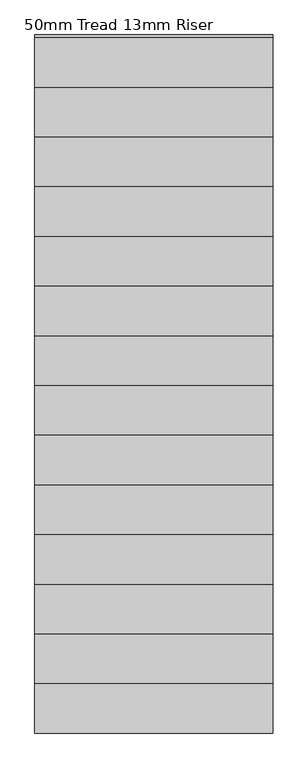
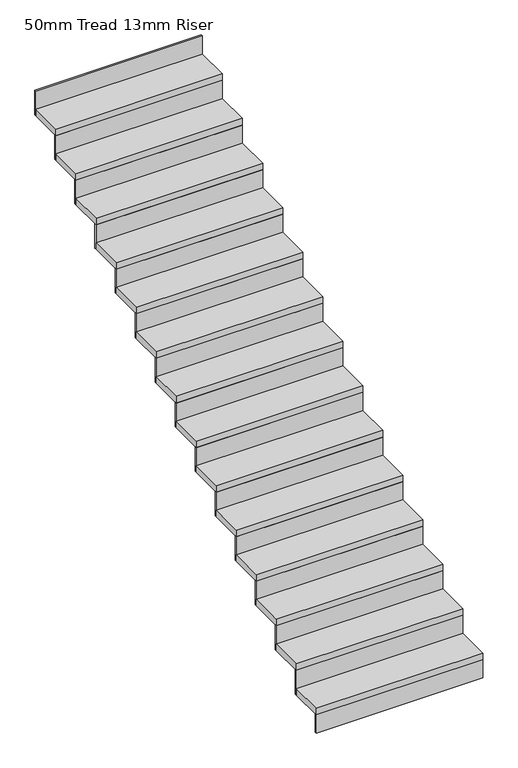
"""IFC4 building model written with IfcOpenShell, lengths in millimetres: stair flight geometry, 50mm Tread 13mm Riser."""

from ifc_helpers import new_model, si_unit, frame, origin, origin_with_axes, place, context, project, spatial, polyline, outline, extrude, source, transform, mapped, element, save


def stair_flight_50mm_tread_13mm_riser_4a1e7ce8(model_context):
    return source(origin(), model_context, "Body", "SweptSolid", [
        extrude(outline(polyline([(15879.6955357, 4471.1449078), (15879.6955357, 4458.6449078), (14679.6955357, 4458.6449078), (14679.6955357, 4471.1449078), (15879.6955357, 4471.1449078)])), origin_with_axes(), (0.0, 0.0, 1.0), 137.9310345),
        extrude(outline(polyline([(14679.6955357, 4708.6449078), (15879.6955357, 4708.6449078), (15879.6955357, 4458.6449078), (14679.6955357, 4458.6449078), (14679.6955357, 4708.6449078)])), frame((0.0, 0.0, 137.9310345), z_axis=(0.0, 0.0, 1.0), x_axis=(1.0, 0.0, 0.0)), (0.0, 0.0, 1.0), 50.0),
        extrude(outline(polyline([(15879.6955357, 4721.1449078), (15879.6955357, 4708.6449078), (14679.6955357, 4708.6449078), (14679.6955357, 4721.1449078), (15879.6955357, 4721.1449078)])), frame((0.0, 0.0, 137.9310345), z_axis=(0.0, 0.0, 1.0), x_axis=(1.0, 0.0, 0.0)), (0.0, 0.0, 1.0), 187.9310345),
        extrude(outline(polyline([(14679.6955357, 4958.6449078), (15879.6955357, 4958.6449078), (15879.6955357, 4708.6449078), (14679.6955357, 4708.6449078), (14679.6955357, 4958.6449078)])), frame((0.0, 0.0, 325.862069), z_axis=(0.0, 0.0, 1.0), x_axis=(1.0, 0.0, 0.0)), (0.0, 0.0, 1.0), 50.0),
        extrude(outline(polyline([(15879.6955357, 4971.1449078), (15879.6955357, 4958.6449078), (14679.6955357, 4958.6449078), (14679.6955357, 4971.1449078), (15879.6955357, 4971.1449078)])), frame((0.0, 0.0, 325.862069), z_axis=(0.0, 0.0, 1.0), x_axis=(1.0, 0.0, 0.0)), (0.0, 0.0, 1.0), 187.9310345),
        extrude(outline(polyline([(14679.6955357, 5208.6449078), (15879.6955357, 5208.6449078), (15879.6955357, 4958.6449078), (14679.6955357, 4958.6449078), (14679.6955357, 5208.6449078)])), frame((0.0, 0.0, 513.7931034), z_axis=(0.0, 0.0, 1.0), x_axis=(1.0, 0.0, 0.0)), (0.0, 0.0, 1.0), 50.0),
        extrude(outline(polyline([(15879.6955357, 5221.1449078), (15879.6955357, 5208.6449078), (14679.6955357, 5208.6449078), (14679.6955357, 5221.1449078), (15879.6955357, 5221.1449078)])), frame((0.0, 0.0, 513.7931034), z_axis=(0.0, 0.0, 1.0), x_axis=(1.0, 0.0, 0.0)), (0.0, 0.0, 1.0), 187.9310345),
        extrude(outline(polyline([(14679.6955357, 5458.6449078), (15879.6955357, 5458.6449078), (15879.6955357, 5208.6449078), (14679.6955357, 5208.6449078), (14679.6955357, 5458.6449078)])), frame((0.0, 0.0, 701.7241379), z_axis=(0.0, 0.0, 1.0), x_axis=(1.0, 0.0, 0.0)), (0.0, 0.0, 1.0), 50.0),
        extrude(outline(polyline([(15879.6955357, 5471.1449078), (15879.6955357, 5458.6449078), (14679.6955357, 5458.6449078), (14679.6955357, 5471.1449078), (15879.6955357, 5471.1449078)])), frame((0.0, 0.0, 701.7241379), z_axis=(0.0, 0.0, 1.0), x_axis=(1.0, 0.0, 0.0)), (0.0, 0.0, 1.0), 187.9310345),
        extrude(outline(polyline([(14679.6955357, 5708.6449078), (15879.6955357, 5708.6449078), (15879.6955357, 5458.6449078), (14679.6955357, 5458.6449078), (14679.6955357, 5708.6449078)])), frame((0.0, 0.0, 889.6551724), z_axis=(0.0, 0.0, 1.0), x_axis=(1.0, 0.0, 0.0)), (0.0, 0.0, 1.0), 50.0),
        extrude(outline(polyline([(15879.6955357, 5721.1449078), (15879.6955357, 5708.6449078), (14679.6955357, 5708.6449078), (14679.6955357, 5721.1449078), (15879.6955357, 5721.1449078)])), frame((0.0, 0.0, 889.6551724), z_axis=(0.0, 0.0, 1.0), x_axis=(1.0, 0.0, 0.0)), (0.0, 0.0, 1.0), 187.9310345),
        extrude(outline(polyline([(14679.6955357, 5958.6449078), (15879.6955357, 5958.6449078), (15879.6955357, 5708.6449078), (14679.6955357, 5708.6449078), (14679.6955357, 5958.6449078)])), frame((0.0, 0.0, 1077.5862069), z_axis=(0.0, 0.0, 1.0), x_axis=(1.0, 0.0, 0.0)), (0.0, 0.0, 1.0), 50.0),
        extrude(outline(polyline([(15879.6955357, 5971.1449078), (15879.6955357, 5958.6449078), (14679.6955357, 5958.6449078), (14679.6955357, 5971.1449078), (15879.6955357, 5971.1449078)])), frame((0.0, 0.0, 1077.5862069), z_axis=(0.0, 0.0, 1.0), x_axis=(1.0, 0.0, 0.0)), (0.0, 0.0, 1.0), 187.9310345),
        extrude(outline(polyline([(14679.6955357, 6208.6449078), (15879.6955357, 6208.6449078), (15879.6955357, 5958.6449078), (14679.6955357, 5958.6449078), (14679.6955357, 6208.6449078)])), frame((0.0, 0.0, 1265.5172414), z_axis=(0.0, 0.0, 1.0), x_axis=(1.0, 0.0, 0.0)), (0.0, 0.0, 1.0), 50.0),
        extrude(outline(polyline([(15879.6955357, 6221.1449078), (15879.6955357, 6208.6449078), (14679.6955357, 6208.6449078), (14679.6955357, 6221.1449078), (15879.6955357, 6221.1449078)])), frame((0.0, 0.0, 1265.5172414), z_axis=(0.0, 0.0, 1.0), x_axis=(1.0, 0.0, 0.0)), (0.0, 0.0, 1.0), 187.9310345),
        extrude(outline(polyline([(14679.6955357, 6458.6449078), (15879.6955357, 6458.6449078), (15879.6955357, 6208.6449078), (14679.6955357, 6208.6449078), (14679.6955357, 6458.6449078)])), frame((0.0, 0.0, 1453.4482759), z_axis=(0.0, 0.0, 1.0), x_axis=(1.0, 0.0, 0.0)), (0.0, 0.0, 1.0), 50.0),
        extrude(outline(polyline([(15879.6955357, 6471.1449078), (15879.6955357, 6458.6449078), (14679.6955357, 6458.6449078), (14679.6955357, 6471.1449078), (15879.6955357, 6471.1449078)])), frame((0.0, 0.0, 1453.4482759), z_axis=(0.0, 0.0, 1.0), x_axis=(1.0, 0.0, 0.0)), (0.0, 0.0, 1.0), 187.9310345),
        extrude(outline(polyline([(14679.6955357, 6708.6449078), (15879.6955357, 6708.6449078), (15879.6955357, 6458.6449078), (14679.6955357, 6458.6449078), (14679.6955357, 6708.6449078)])), frame((0.0, 0.0, 1641.3793103), z_axis=(0.0, 0.0, 1.0), x_axis=(1.0, 0.0, 0.0)), (0.0, 0.0, 1.0), 50.0),
        extrude(outline(polyline([(15879.6955357, 6721.1449078), (15879.6955357, 6708.6449078), (14679.6955357, 6708.6449078), (14679.6955357, 6721.1449078), (15879.6955357, 6721.1449078)])), frame((0.0, 0.0, 1641.3793103), z_axis=(0.0, 0.0, 1.0), x_axis=(1.0, 0.0, 0.0)), (0.0, 0.0, 1.0), 187.9310345),
        extrude(outline(polyline([(14679.6955357, 6958.6449078), (15879.6955357, 6958.6449078), (15879.6955357, 6708.6449078), (14679.6955357, 6708.6449078), (14679.6955357, 6958.6449078)])), frame((0.0, 0.0, 1829.3103448), z_axis=(0.0, 0.0, 1.0), x_axis=(1.0, 0.0, 0.0)), (0.0, 0.0, 1.0), 50.0),
        extrude(outline(polyline([(15879.6955357, 6971.1449078), (15879.6955357, 6958.6449078), (14679.6955357, 6958.6449078), (14679.6955357, 6971.1449078), (15879.6955357, 6971.1449078)])), frame((0.0, 0.0, 1829.3103448), z_axis=(0.0, 0.0, 1.0), x_axis=(1.0, 0.0, 0.0)), (0.0, 0.0, 1.0), 187.9310345),
        extrude(outline(polyline([(14679.6955357, 7208.6449078), (15879.6955357, 7208.6449078), (15879.6955357, 6958.6449078), (14679.6955357, 6958.6449078), (14679.6955357, 7208.6449078)])), frame((0.0, 0.0, 2017.2413793), z_axis=(0.0, 0.0, 1.0), x_axis=(1.0, 0.0, 0.0)), (0.0, 0.0, 1.0), 50.0),
        extrude(outline(polyline([(15879.6955357, 7221.1449078), (15879.6955357, 7208.6449078), (14679.6955357, 7208.6449078), (14679.6955357, 7221.1449078), (15879.6955357, 7221.1449078)])), frame((0.0, 0.0, 2017.2413793), z_axis=(0.0, 0.0, 1.0), x_axis=(1.0, 0.0, 0.0)), (0.0, 0.0, 1.0), 187.9310345),
        extrude(outline(polyline([(14679.6955357, 7458.6449078), (15879.6955357, 7458.6449078), (15879.6955357, 7208.6449078), (14679.6955357, 7208.6449078), (14679.6955357, 7458.6449078)])), frame((0.0, 0.0, 2205.1724138), z_axis=(0.0, 0.0, 1.0), x_axis=(1.0, 0.0, 0.0)), (0.0, 0.0, 1.0), 50.0),
        extrude(outline(polyline([(15879.6955357, 7471.1449078), (15879.6955357, 7458.6449078), (14679.6955357, 7458.6449078), (14679.6955357, 7471.1449078), (15879.6955357, 7471.1449078)])), frame((0.0, 0.0, 2205.1724138), z_axis=(0.0, 0.0, 1.0), x_axis=(1.0, 0.0, 0.0)), (0.0, 0.0, 1.0), 187.9310345),
        extrude(outline(polyline([(14679.6955357, 7708.6449078), (15879.6955357, 7708.6449078), (15879.6955357, 7458.6449078), (14679.6955357, 7458.6449078), (14679.6955357, 7708.6449078)])), frame((0.0, 0.0, 2393.1034483), z_axis=(0.0, 0.0, 1.0), x_axis=(1.0, 0.0, 0.0)), (0.0, 0.0, 1.0), 50.0),
        extrude(outline(polyline([(15879.6955357, 7721.1449078), (15879.6955357, 7708.6449078), (14679.6955357, 7708.6449078), (14679.6955357, 7721.1449078), (15879.6955357, 7721.1449078)])), frame((0.0, 0.0, 2393.1034483), z_axis=(0.0, 0.0, 1.0), x_axis=(1.0, 0.0, 0.0)), (0.0, 0.0, 1.0), 187.9310345),
        extrude(outline(polyline([(15879.6955357, 7971.1449078), (15879.6955357, 7958.6449078), (14679.6955357, 7958.6449078), (14679.6955357, 7971.1449078), (15879.6955357, 7971.1449078)])), frame((0.0, 0.0, 2581.0344828), z_axis=(0.0, 0.0, 1.0), x_axis=(1.0, 0.0, 0.0)), (0.0, 0.0, 1.0), 187.9310345),
        extrude(outline(polyline([(14679.6955357, 7958.6449078), (15879.6955357, 7958.6449078), (15879.6955357, 7708.6449078), (14679.6955357, 7708.6449078), (14679.6955357, 7958.6449078)])), frame((0.0, 0.0, 2581.0344828), z_axis=(0.0, 0.0, 1.0), x_axis=(1.0, 0.0, 0.0)), (0.0, 0.0, 1.0), 50.0),
    ])


if __name__ == "__main__":
    model = new_model("IFC4")
    model_context = context("Model", 3, world=origin())
    ifc_project = project(units=[si_unit("LENGTHUNIT", "METRE", prefix="MILLI")], contexts=[model_context])
    site = spatial("IfcSite", under=ifc_project)
    building = spatial("IfcBuilding", under=site)
    placement = place(None, origin())
    stair_flight_50mm_tread_13mm_riser_shape = stair_flight_50mm_tread_13mm_riser_4a1e7ce8(model_context)
    element("IfcStairFlight", 1, ObjectType="50mm Tread 13mm Riser", at=placement, inside=building, context=model_context, shape_type="MappedRepresentation", body=[
        mapped(stair_flight_50mm_tread_13mm_riser_shape, transform((0.0, 0.0, 0.0), x_axis=(1.0, 0.0, 0.0), y_axis=(0.0, 1.0, 0.0), z_axis=(0.0, 0.0, 1.0))),
    ])
    save(model, "model.ifc")
